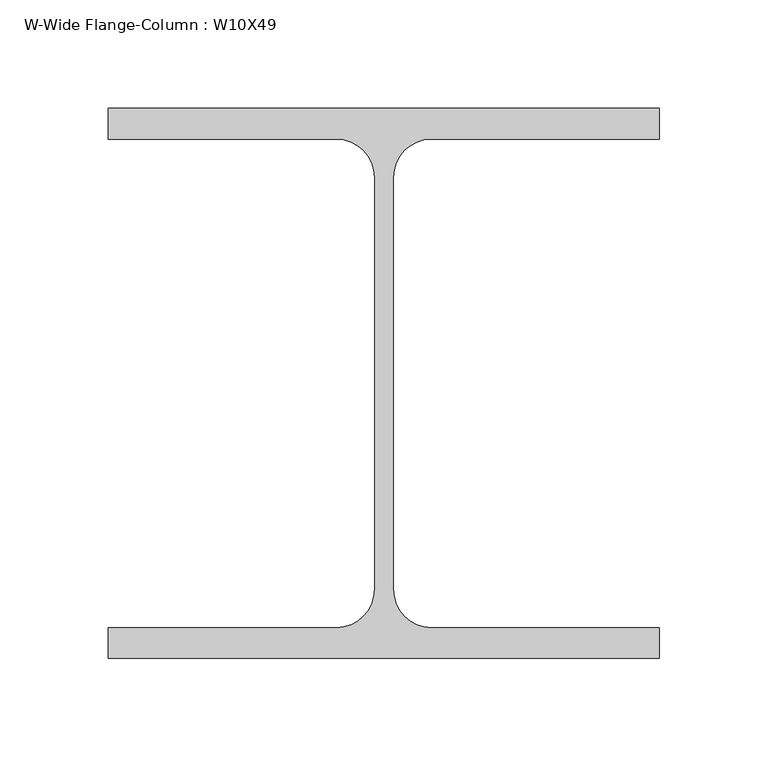
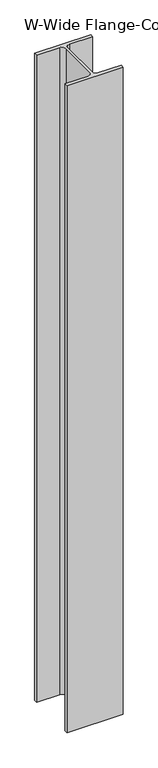
"""IFC4 building model written with IfcOpenShell, lengths in millimetres: column geometry, W-Wide Flange-Column : W10X49."""

from ifc_helpers import new_model, si_unit, point, frame, frame_2d, origin, place, context, project, spatial, polyline, circle_curve, trimmed, segment, composite_curve, outline, extrude, source, transform, mapped, element, save


def w_wide_flange_column_w10x49_ccbf7ac4(model_context):
    return source(origin(), model_context, "Body", "SweptSolid", [
        extrude(outline(composite_curve([segment(polyline([(127.0, 126.7519531), (127.0, 112.5636719), (21.8777344, 112.5636719)]), True, "CONTINUOUS"), segment(trimmed(circle_curve(frame_2d((21.8777344, 95.0019531)), 17.5617188), [point((21.8777344, 112.5636719))], [point((4.3160156, 95.0019531))], True, "CARTESIAN"), True, "CONTINUOUS"), segment(polyline([(4.3160156, 95.0019531), (4.3160156, -95.0019531)]), True, "CONTINUOUS"), segment(trimmed(circle_curve(frame_2d((21.8777344, -95.0019531)), 17.5617187), [point((4.3160156, -95.0019531))], [point((21.8777344, -112.5636719))], True, "CARTESIAN"), True, "CONTINUOUS"), segment(polyline([(21.8777344, -112.5636719), (127.0, -112.5636719), (127.0, -126.7519531), (-127.0, -126.7519531), (-127.0, -112.5636719), (-21.8777344, -112.5636719)]), True, "CONTINUOUS"), segment(trimmed(circle_curve(frame_2d((-21.8777344, -95.0019531)), 17.5617187), [point((-21.8777344, -112.5636719))], [point((-4.3160156, -95.0019531))], True, "CARTESIAN"), True, "CONTINUOUS"), segment(polyline([(-4.3160156, -95.0019531), (-4.3160156, 95.0019531)]), True, "CONTINUOUS"), segment(trimmed(circle_curve(frame_2d((-21.8777344, 95.0019531)), 17.5617188), [point((-4.3160156, 95.0019531))], [point((-21.8777344, 112.5636719))], True, "CARTESIAN"), True, "CONTINUOUS"), segment(polyline([(-21.8777344, 112.5636719), (-127.0, 112.5636719), (-127.0, 126.7519531), (127.0, 126.7519531)]), True, "CONTINUOUS")], self_intersect=False)), frame((0.0, 0.0, 3860.8), z_axis=(0.0, 0.0, 1.0), x_axis=(1.0, 0.0, 0.0)), (0.0, 0.0, 1.0), 3098.8),
    ])


if __name__ == "__main__":
    model = new_model("IFC4")
    model_context = context("Model", 3, world=origin())
    ifc_project = project(units=[si_unit("LENGTHUNIT", "METRE", prefix="MILLI")], contexts=[model_context])
    site = spatial("IfcSite", under=ifc_project)
    building = spatial("IfcBuilding", under=site)
    placement = place(None, origin())
    w_wide_flange_column_w10x49_shape = w_wide_flange_column_w10x49_ccbf7ac4(model_context)
    element("IfcColumn", 1, ObjectType="W-Wide Flange-Column : W10X49", at=placement, inside=building, context=model_context, shape_type="MappedRepresentation", body=[
        mapped(w_wide_flange_column_w10x49_shape, transform((0.0, 0.0, 0.0), x_axis=(1.0, 0.0, 0.0), y_axis=(0.0, 1.0, 0.0), z_axis=(0.0, 0.0, 1.0))),
    ])
    save(model, "model.ifc")
